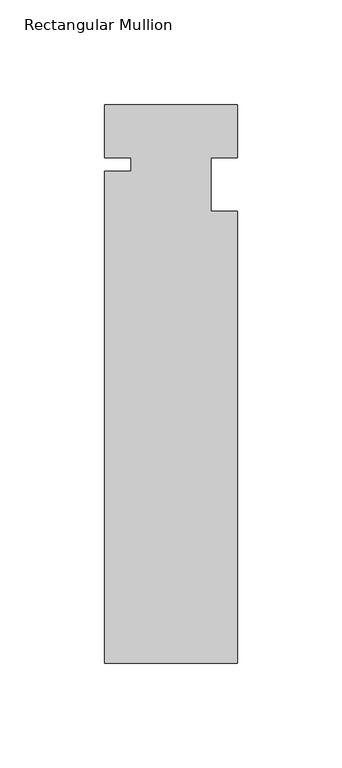
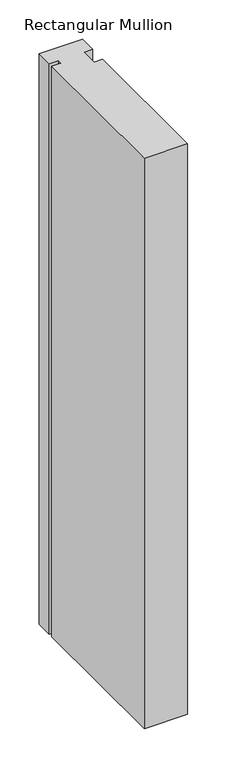
"""IFC4 building model written with IfcOpenShell, lengths in millimetres: member geometry, Rectangular Mullion."""

from ifc_helpers import new_model, si_unit, frame, origin, place, context, project, spatial, polyline, outline, extrude, source, transform, mapped, element, save


def rectangular_mullion_78162812(model_context):
    return source(origin(), model_context, "Body", "SweptSolid", [
        extrude(outline(polyline([(31.75, -228.6), (-31.75, -228.6), (-31.75, 6.35), (-19.05, 6.35), (-19.05, 12.7), (-31.75, 12.7), (-31.75, 38.1), (31.75, 38.1), (31.75, 12.7), (19.05, 12.7), (19.05, -12.7), (31.75, -12.7), (31.75, -228.6)])), frame((0.0, 0.0, -882.65), z_axis=(0.0, 0.0, 1.0), x_axis=(1.0, 0.0, 0.0)), (0.0, 0.0, 1.0), 882.65),
    ])


if __name__ == "__main__":
    model = new_model("IFC4")
    model_context = context("Model", 3, world=origin())
    ifc_project = project(units=[si_unit("LENGTHUNIT", "METRE", prefix="MILLI")], contexts=[model_context])
    site = spatial("IfcSite", under=ifc_project)
    building = spatial("IfcBuilding", under=site)
    placement = place(None, origin())
    rectangular_mullion_shape = rectangular_mullion_78162812(model_context)
    element("IfcMember", 1, ObjectType="Rectangular Mullion", at=placement, inside=building, context=model_context, shape_type="MappedRepresentation", body=[
        mapped(rectangular_mullion_shape, transform((0.0, 0.0, 0.0), x_axis=(1.0, 0.0, 0.0), y_axis=(0.0, 1.0, 0.0), z_axis=(0.0, 0.0, 1.0))),
    ])
    save(model, "model.ifc")
